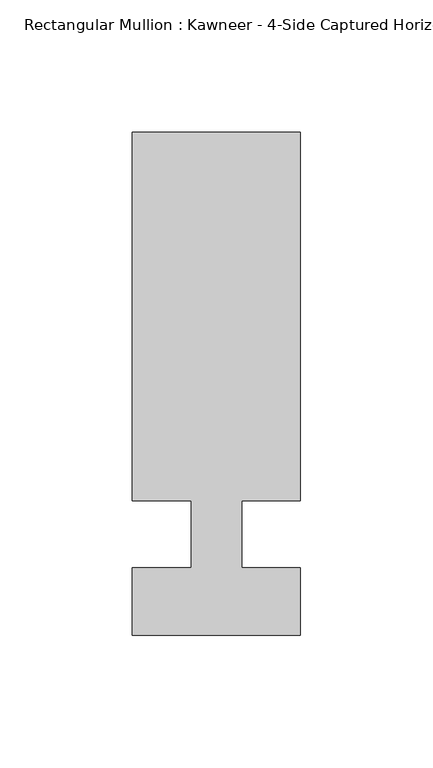
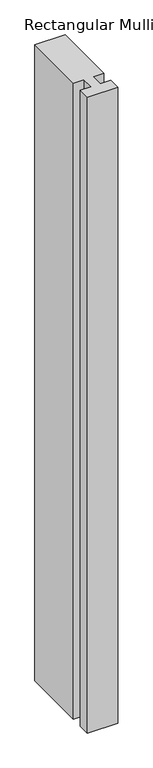
"""IFC4 building model written with IfcOpenShell, lengths in millimetres: member geometry."""

from ifc_helpers import new_model, si_unit, frame, origin, place, context, project, spatial, polyline, outline, extrude, source, transform, mapped, element, save


def member_455dd52b(model_context):
    return source(origin(), model_context, "Body", "SweptSolid", [
        extrude(outline(polyline([(-9.525, -12.7), (-9.525, 12.7), (-31.75, 12.7), (-31.75, 151.892), (31.75, 151.892), (31.75, 12.7), (9.5251132, 12.7), (9.5251132, -12.7), (31.75, -12.7), (31.75, -38.1), (-31.75, -38.1), (-31.75, -12.7), (-9.525, -12.7)])), frame((0.0, 0.0, -1405.4412663), z_axis=(0.0, 0.0, 1.0), x_axis=(1.0, 0.0, 0.0)), (0.0, 0.0, 1.0), 1405.4412663),
    ])


if __name__ == "__main__":
    model = new_model("IFC4")
    model_context = context("Model", 3, world=origin())
    ifc_project = project(units=[si_unit("LENGTHUNIT", "METRE", prefix="MILLI")], contexts=[model_context])
    site = spatial("IfcSite", under=ifc_project)
    building = spatial("IfcBuilding", under=site)
    placement = place(None, origin())
    member_shape = member_455dd52b(model_context)
    element("IfcMember", 1, ObjectType="Rectangular Mullion : Kawneer - 4-Side Captured Horizontal Mullion - 7 1/2\"", at=placement, inside=building, context=model_context, shape_type="MappedRepresentation", body=[
        mapped(member_shape, transform((0.0, 0.0, 0.0), x_axis=(1.0, 0.0, 0.0), y_axis=(0.0, 1.0, 0.0), z_axis=(0.0, 0.0, 1.0))),
    ])
    save(model, "model.ifc")
